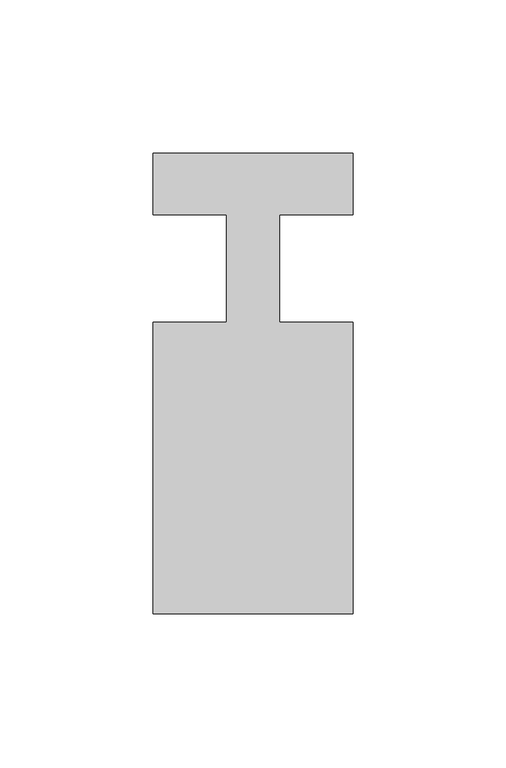
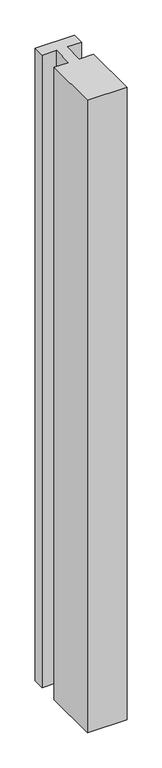
"""IFC4 building model written with IfcOpenShell, lengths in millimetres: member geometry."""

import ifcopenshell
import ifcopenshell.guid

model = None  # the IFC model being written
_history = None  # IfcOwnerHistory: only IFC2X3 demands one
_inside = {}  # id of a spatial element -> (the spatial element, [elements in it])
_under = {}  # id of a project, library or spatial element -> (it, [spatial elements below it])
_declared = {}  # id of a project -> (the project, [libraries it declares])
_typed = {}  # id of a type object -> (the type object, [elements of that type])
_made_of = {}  # id of a material, layer set ... -> (it, [elements and type objects made of it])


def new_model(schema):
    """Start an empty IFC model of exactly this schema.

    Asked for "IFC4X3", IfcOpenShell would pick the latest addendum, in which some entities
    have other attributes; the version numbers below select the first issue.
    IFC2X3 requires an IfcOwnerHistory on every rooted entity: one is made here for all.
    """
    global model, _history
    if schema == "IFC4X3":
        model = ifcopenshell.file(schema_version=(4, 3, 0, 0))
    else:
        model = ifcopenshell.file(schema=schema)
    _inside.clear()
    _under.clear()
    _declared.clear()
    _typed.clear()
    _made_of.clear()
    _history = None
    if model.schema == "IFC2X3":
        org = make("IfcOrganization", Name="unknown")
        user = make(
            "IfcPersonAndOrganization",
            ThePerson=make("IfcPerson", FamilyName="unknown"),
            TheOrganization=org,
        )
        app = make(
            "IfcApplication",
            ApplicationDeveloper=org,
            Version="unknown",
            ApplicationFullName="unknown",
            ApplicationIdentifier="unknown",
        )
        _history = make(
            "IfcOwnerHistory",
            OwningUser=user,
            OwningApplication=app,
            ChangeAction="ADDED",
            CreationDate=0,
        )
    return model


def make(cls, **values):
    """One entity of the class cls with the attributes given. An attribute that is None is left unset."""
    return model.create_entity(
        cls, **{name: value for name, value in values.items() if value is not None}
    )


def rooted(cls, **values):
    """An entity with a GlobalId (a new one), such as an element, a storey or a relation."""
    return make(cls, GlobalId=ifcopenshell.guid.new(), OwnerHistory=_history, **values)


def si_unit(unit_type, name, prefix=None):
    """IfcSIUnit, for example si_unit("LENGTHUNIT", "METRE", prefix="MILLI")."""
    return make("IfcSIUnit", UnitType=unit_type, Prefix=prefix, Name=name)


def assignment(units):
    """IfcUnitAssignment: the units of a project."""
    return None if units is None else make("IfcUnitAssignment", Units=units)


def point(xyz):
    """IfcCartesianPoint."""
    return None if xyz is None else make("IfcCartesianPoint", Coordinates=xyz)


def direction(xyz):
    """IfcDirection."""
    return None if xyz is None else make("IfcDirection", DirectionRatios=xyz)


def frame(location, z_axis=None, x_axis=None):
    """IfcAxis2Placement3D, a coordinate frame: its origin and axes. An axis left out is left unset."""
    return make(
        "IfcAxis2Placement3D",
        Location=point(location),
        Axis=direction(z_axis),
        RefDirection=direction(x_axis),
    )


def origin():
    """The frame at (0, 0, 0) with its axes left unset."""
    return frame((0.0, 0.0, 0.0))


def place(relative_to, where):
    """IfcLocalPlacement: puts the frame where relative to a parent placement (None: the world)."""
    return make(
        "IfcLocalPlacement", PlacementRelTo=relative_to, RelativePlacement=where
    )


def context(
    kind, dimensions, precision=None, world=None, true_north=None, identifier=None
):
    """IfcGeometricRepresentationContext, for example the 3D "Model" context."""
    return make(
        "IfcGeometricRepresentationContext",
        ContextIdentifier=identifier,
        ContextType=kind,
        CoordinateSpaceDimension=dimensions,
        Precision=precision,
        WorldCoordinateSystem=world,
        TrueNorth=true_north,
    )


def project(units=None, contexts=None):
    """IfcProject with its units and contexts."""
    return rooted(
        "IfcProject",
        Name="project",
        RepresentationContexts=contexts,
        UnitsInContext=assignment(units),
    )


def spatial(cls, under=None, at=None, **own):
    """A site, building, storey or space (cls), placed at a placement, below another one or the project."""
    s = rooted(cls, ObjectPlacement=at, **own)
    if under is not None:
        _under.setdefault(under.id(), (under, []))[1].append(s)
    return s


def polyline(points):
    """IfcPolyline through the points."""
    return make("IfcPolyline", Points=[point(p) for p in points])


def outline(outer, holes=None, kind="AREA"):
    """IfcArbitraryClosedProfileDef: a profile drawn as a closed curve; with holes, ...WithVoids."""
    if holes is None:
        return make("IfcArbitraryClosedProfileDef", ProfileType=kind, OuterCurve=outer)
    return make(
        "IfcArbitraryProfileDefWithVoids",
        ProfileType=kind,
        OuterCurve=outer,
        InnerCurves=holes,
    )


def extrude(swept, where, along, depth):
    """IfcExtrudedAreaSolid: the profile swept, set in the frame where, extruded along a direction by depth."""
    return make(
        "IfcExtrudedAreaSolid",
        SweptArea=swept,
        Position=where,
        ExtrudedDirection=direction(along),
        Depth=depth,
    )


def shape(context_of_items, identifier, shape_type, items):
    """IfcShapeRepresentation: the items that make up one representation, for example the "Body"."""
    return make(
        "IfcShapeRepresentation",
        ContextOfItems=context_of_items,
        RepresentationIdentifier=identifier,
        RepresentationType=shape_type,
        Items=items,
    )


def source(mapping_origin, context_of_items, identifier, shape_type, items):
    """IfcRepresentationMap: a shape defined once, which mapped items show again and again."""
    return make(
        "IfcRepresentationMap",
        MappingOrigin=mapping_origin,
        MappedRepresentation=shape(context_of_items, identifier, shape_type, items),
    )


def transform(
    local_origin,
    x_axis=None,
    y_axis=None,
    z_axis=None,
    scale=None,
    scale2=None,
    scale3=None,
    uniform=True,
):
    """IfcCartesianTransformationOperator3D, or its non-uniform kind. x_axis, y_axis, z_axis: its Axis1, 2, 3."""
    if uniform:
        return make(
            "IfcCartesianTransformationOperator3D",
            Axis1=direction(x_axis),
            Axis2=direction(y_axis),
            LocalOrigin=point(local_origin),
            Scale=scale,
            Axis3=direction(z_axis),
        )
    return make(
        "IfcCartesianTransformationOperator3DnonUniform",
        Axis1=direction(x_axis),
        Axis2=direction(y_axis),
        LocalOrigin=point(local_origin),
        Scale=scale,
        Axis3=direction(z_axis),
        Scale2=scale2,
        Scale3=scale3,
    )


def mapped(mapping_source, mapping_target):
    """IfcMappedItem: shows the shape of a source again, moved by a transform."""
    return make(
        "IfcMappedItem", MappingSource=mapping_source, MappingTarget=mapping_target
    )


def made_of(thing, what):
    """Note that an element or type object is made of a material, layer set ...; save() writes the relation."""
    if what is not None:
        _made_of.setdefault(what.id(), (what, []))[1].append(thing)
    return thing


def element(
    cls,
    number,
    at=None,
    inside=None,
    cuts=None,
    type_object=None,
    material=None,
    context=None,
    identifier="Body",
    shape_type=None,
    held_by="IfcProductDefinitionShape",
    body=None,
    shapes=None,
    **own,
):
    """One element of the class cls, such as IfcWall. Its Tag is "e" and its number.

    at: its placement. inside: the storey or other place that contains it. cuts: it is an
    opening in that element (IfcRelVoidsElement). A single representation is given by context,
    identifier, shape_type and body (its items); several are given by shapes. held_by: the class
    of the entity that holds the representations. save() writes the other relations.
    """
    e = rooted(cls, Tag="e%d" % number, ObjectPlacement=at, **own)
    if body is not None:
        shapes = [shape(context, identifier, shape_type, body)]
    if shapes is not None:
        e.Representation = make(held_by, Representations=shapes)
    if inside is not None:
        _inside.setdefault(inside.id(), (inside, []))[1].append(e)
    if cuts is not None:
        rooted(
            "IfcRelVoidsElement", RelatingBuildingElement=cuts, RelatedOpeningElement=e
        )
    if type_object is not None:
        _typed.setdefault(type_object.id(), (type_object, []))[1].append(e)
    return made_of(e, material)


def aggregate(whole, parts):
    """IfcRelAggregates: a whole, such as a stair, and the parts it consists of."""
    return rooted("IfcRelAggregates", RelatingObject=whole, RelatedObjects=parts)


def save(model, path):
    """Write the relations noted so far, then the file.

    IfcRelAggregates (storeys below a building ...), IfcRelContainedInSpatialStructure (elements
    in a storey), IfcRelDefinesByType, IfcRelAssociatesMaterial and IfcRelDeclares: one each for
    every whole, place, type object, material and project.
    """
    for whole, parts in _under.values():
        aggregate(whole, parts)
    for where, things in _inside.values():
        rooted(
            "IfcRelContainedInSpatialStructure",
            RelatedElements=things,
            RelatingStructure=where,
        )
    for kind, things in _typed.values():
        rooted("IfcRelDefinesByType", RelatedObjects=things, RelatingType=kind)
    for what, things in _made_of.values():
        rooted("IfcRelAssociatesMaterial", RelatedObjects=things, RelatingMaterial=what)
    for by, libraries in _declared.values():
        rooted("IfcRelDeclares", RelatingContext=by, RelatedDefinitions=libraries)
    model.write(path)


def member_d6e57bf5(model_context):
    return source(origin(), model_context, "Body", "SweptSolid", [
        extrude(outline(polyline([(-65.0, 37.0), (0.0, 37.0), (0.0, 17.0), (-23.8125, 17.0), (-23.8125, -18.0), (0.0, -18.0), (0.0, -113.0), (-65.0, -113.0), (-65.0, -18.0), (-41.1875, -18.0), (-41.1875, 17.0), (-65.0, 17.0), (-65.0, 37.0)])), frame((0.0, 0.0, -1100.0), z_axis=(0.0, 0.0, 1.0), x_axis=(1.0, 0.0, 0.0)), (0.0, 0.0, 1.0), 1100.0),
    ])


if __name__ == "__main__":
    model = new_model("IFC4")
    model_context = context("Model", 3, world=origin())
    ifc_project = project(units=[si_unit("LENGTHUNIT", "METRE", prefix="MILLI")], contexts=[model_context])
    site = spatial("IfcSite", under=ifc_project)
    building = spatial("IfcBuilding", under=site)
    placement = place(None, origin())
    member_shape = member_d6e57bf5(model_context)
    element("IfcMember", 1, at=placement, inside=building, context=model_context, shape_type="MappedRepresentation", body=[
        mapped(member_shape, transform((0.0, 0.0, 0.0), x_axis=(1.0, 0.0, 0.0), y_axis=(0.0, 1.0, 0.0), z_axis=(0.0, 0.0, 1.0))),
    ])
    save(model, "model.ifc")
